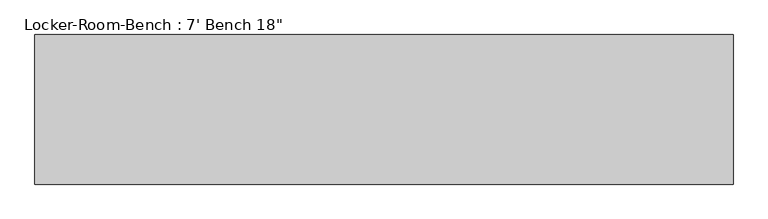
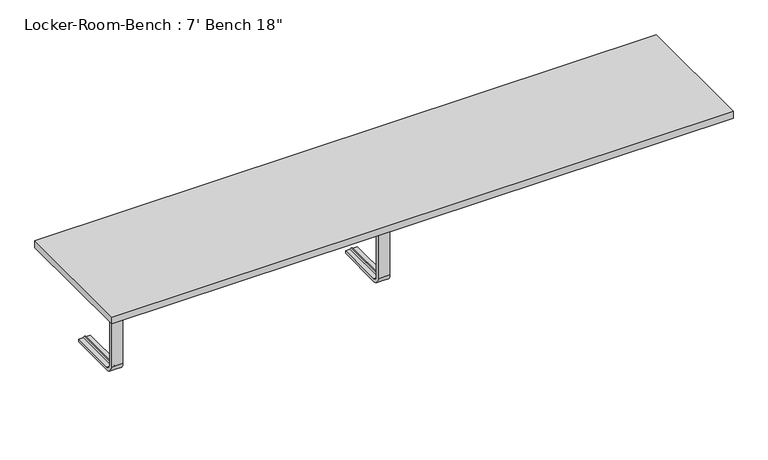
"""IFC4 building model written with IfcOpenShell, lengths in millimetres: proxy geometry."""

from ifc_helpers import new_model, si_unit, point, frame, origin, place, context, project, spatial, polyline, circle_curve, ellipse_curve, trimmed, outline, extrude, source, transform, mapped, element, save
from ifc_brep_helpers import plane_surface, cylinder_surface, revolved_surface, advanced_brep


def proxy_5897d05b(model_context):
    return source(origin(), model_context, "Body", "SolidModel", [
        advanced_brep(
        [(-896.8, 193.6, 381.4), (-896.8, 193.6, 371.4), (-911.8, 193.6, 371.4), (-916.8, 193.6, 369.0684617), (-921.8, 193.6, 371.4), (-936.8, 193.6, 371.4), (-936.8, 193.6, 381.4), (-936.8, 25.0, 381.4), (-896.8, 25.0, 381.4), (-936.8, 25.0, 371.4), (-936.8, 10.0, 356.4), (-936.8, 10.0, 40.0), (-936.8, 25.0, 25.0), (-936.8, 193.6, 25.0), (-936.8, 193.6, 15.0), (-936.8, 25.0, 15.0), (-936.8, 0.0, 40.0), (-936.8, 0.0, 356.4), (-921.8, 25.0, 371.4), (-916.8, 25.0, 369.0684617), (-911.8, 25.0, 371.4), (-896.8, 25.0, 371.4), (-896.8, 0.0, 356.4), (-896.8, 0.0, 40.0), (-896.8, 25.0, 15.0), (-896.8, 193.6, 15.0), (-896.8, 193.6, 25.0), (-896.8, 25.0, 25.0), (-896.8, 10.0, 40.0), (-896.8, 10.0, 356.4), (-921.8, 10.0, 356.4), (-916.8, 12.3315383, 356.4), (-911.8, 10.0, 356.4), (-921.8, 10.0, 40.0), (-916.8, 12.3315383, 40.0), (-911.8, 10.0, 40.0), (-921.8, 25.0, 25.0), (-916.8, 25.0, 27.3315383), (-911.8, 25.0, 25.0), (-921.8, 193.6, 25.0), (-916.8, 193.6, 27.3315383), (-911.8, 193.6, 25.0)],
        [
            (0, 1),
            (1, 2),
            (2, 3, circle_curve(frame((-916.5003591, 193.6, 374.9529162), z_axis=(0.0, 1.0, 0.0), x_axis=(0.0, 0.0, 1.0)), 5.8920785)),
            (3, 4, circle_curve(frame((-917.0996409, 193.6, 374.9529162), z_axis=(0.0, 1.0, 0.0), x_axis=(0.0, 0.0, 1.0)), 5.8920785)),
            (4, 5),
            (5, 6),
            (6, 0),
            (6, 7),
            (7, 8),
            (8, 0),
            (5, 9),
            (9, 10, circle_curve(frame((-936.8, 25.0, 356.4), z_axis=(1.0, 0.0, 0.0), x_axis=(0.0, 0.0, 1.0)), 15.0)),
            (10, 11),
            (11, 12, circle_curve(frame((-936.8, 25.0, 40.0), z_axis=(1.0, 0.0, 0.0), x_axis=(0.0, -1.0, 0.0)), 15.0)),
            (12, 13),
            (13, 14),
            (14, 15),
            (15, 16, circle_curve(frame((-936.8, 25.0, 40.0), z_axis=(-1.0, 0.0, 0.0), x_axis=(0.0, -1.0, 0.0)), 25.0)),
            (16, 17),
            (17, 7, circle_curve(frame((-936.8, 25.0, 356.4), z_axis=(-1.0, 0.0, 0.0), x_axis=(0.0, 0.0, 1.0)), 25.0)),
            (4, 18),
            (18, 9),
            (3, 19),
            (19, 18, circle_curve(frame((-917.0996409, 25.0, 374.9529162), z_axis=(0.0, 1.0, 0.0), x_axis=(0.0, 0.0, 1.0)), 5.8920785)),
            (2, 20),
            (20, 19, circle_curve(frame((-916.5003591, 25.0, 374.9529162), z_axis=(0.0, 1.0, 0.0), x_axis=(0.0, 0.0, 1.0)), 5.8920785)),
            (1, 21),
            (21, 20),
            (8, 22, circle_curve(frame((-896.8, 25.0, 356.4), z_axis=(1.0, 0.0, 0.0), x_axis=(0.0, 0.0, 1.0)), 25.0)),
            (22, 23),
            (23, 24, circle_curve(frame((-896.8, 25.0, 40.0), z_axis=(1.0, 0.0, 0.0), x_axis=(0.0, -1.0, 0.0)), 25.0)),
            (24, 25),
            (25, 26),
            (26, 27),
            (27, 28, circle_curve(frame((-896.8, 25.0, 40.0), z_axis=(-1.0, 0.0, 0.0), x_axis=(0.0, -1.0, 0.0)), 15.0)),
            (28, 29),
            (29, 21, circle_curve(frame((-896.8, 25.0, 356.4), z_axis=(-1.0, 0.0, 0.0), x_axis=(0.0, 0.0, 1.0)), 15.0)),
            (17, 22),
            (30, 10),
            (18, 30, circle_curve(frame((-921.8, 25.0, 356.4), z_axis=(1.0, 0.0, 0.0), x_axis=(0.0, 0.0, 1.0)), 15.0)),
            (31, 30, circle_curve(frame((-917.0996409, 6.4470838, 356.4), z_axis=(0.0, 0.0, 1.0), x_axis=(0.0, -1.0, 0.0)), 5.8920785)),
            (19, 31, circle_curve(frame((-916.8, 25.0, 356.4), z_axis=(1.0, 0.0, 0.0), x_axis=(0.0, 0.0, 1.0)), 12.6684617)),
            (32, 31, circle_curve(frame((-916.5003591, 6.4470838, 356.4), z_axis=(0.0, 0.0, 1.0), x_axis=(0.0, -1.0, 0.0)), 5.8920785)),
            (20, 32, circle_curve(frame((-911.8, 25.0, 356.4), z_axis=(1.0, 0.0, 0.0), x_axis=(0.0, 0.0, 1.0)), 15.0)),
            (29, 32),
            (16, 23),
            (30, 33),
            (33, 11),
            (31, 34),
            (34, 33, circle_curve(frame((-917.0996409, 6.4470838, 40.0), z_axis=(0.0, 0.0, 1.0), x_axis=(0.0, -1.0, 0.0)), 5.8920785)),
            (32, 35),
            (35, 34, circle_curve(frame((-916.5003591, 6.4470838, 40.0), z_axis=(0.0, 0.0, 1.0), x_axis=(0.0, -1.0, 0.0)), 5.8920785)),
            (28, 35),
            (15, 24),
            (36, 12),
            (33, 36, circle_curve(frame((-921.8, 25.0, 40.0), z_axis=(1.0, 0.0, 0.0), x_axis=(0.0, -1.0, 0.0)), 15.0)),
            (37, 36, circle_curve(frame((-917.0996409, 25.0, 21.4470838), z_axis=(0.0, -1.0, 0.0), x_axis=(0.0, 0.0, -1.0)), 5.8920785)),
            (34, 37, circle_curve(frame((-916.8, 25.0, 40.0), z_axis=(1.0, 0.0, 0.0), x_axis=(0.0, -1.0, 0.0)), 12.6684617)),
            (38, 37, circle_curve(frame((-916.5003591, 25.0, 21.4470838), z_axis=(0.0, -1.0, 0.0), x_axis=(0.0, 0.0, -1.0)), 5.8920785)),
            (35, 38, circle_curve(frame((-911.8, 25.0, 40.0), z_axis=(1.0, 0.0, 0.0), x_axis=(0.0, -1.0, 0.0)), 15.0)),
            (27, 38),
            (25, 14),
            (13, 39),
            (39, 40, circle_curve(frame((-917.0996409, 193.6, 21.4470838), z_axis=(0.0, 1.0, 0.0), x_axis=(0.0, 0.0, -1.0)), 5.8920785)),
            (40, 41, circle_curve(frame((-916.5003591, 193.6, 21.4470838), z_axis=(0.0, 1.0, 0.0), x_axis=(0.0, 0.0, -1.0)), 5.8920785)),
            (41, 26),
            (36, 39),
            (37, 40),
            (38, 41),
        ],
        [
            plane_surface(frame((-916.8, 193.6, 381.4), z_axis=(0.0, 1.0, 0.0), x_axis=(1.0, 0.0, 0.0))),
            plane_surface(frame((-896.8, 193.6, 381.4), z_axis=(0.0, 0.0, 1.0), x_axis=(0.0, -1.0, 0.0))),
            plane_surface(frame((-936.8, 193.6, 381.4), z_axis=(-1.0, 0.0, 0.0), x_axis=(0.0, -1.0, 0.0))),
            plane_surface(frame((-936.8, 193.6, 371.4), z_axis=(0.0, 0.0, -1.0), x_axis=(0.0, -1.0, 0.0))),
            cylinder_surface(frame((-917.0996409, 193.6, 374.9529162), z_axis=(0.0, 1.0, 0.0), x_axis=(0.0, 0.0, 1.0)), 5.8920785),
            cylinder_surface(frame((-916.5003591, 193.6, 374.9529162), z_axis=(0.0, 1.0, 0.0), x_axis=(0.0, 0.0, 1.0)), 5.8920785),
            plane_surface(frame((-911.8, 193.6, 371.4), z_axis=(0.0, 0.0, -1.0), x_axis=(0.0, -1.0, 0.0))),
            plane_surface(frame((-896.8, 193.6, 371.4), z_axis=(1.0, 0.0, 0.0), x_axis=(0.0, -1.0, 0.0))),
            cylinder_surface(frame((-916.8, 25.0, 356.4), z_axis=(-1.0, 0.0, 0.0), x_axis=(0.0, 0.0, 1.0)), 25.0),
            revolved_surface(polyline([(-936.8, 25.0, 371.4), (-921.8, 25.0, 371.4)]), (-916.8, 25.0, 356.4), (-1.0, 0.0, 0.0)),
            revolved_surface(trimmed(ellipse_curve(frame((-917.0996409, 25.0, 374.9529162), z_axis=(0.0, -1.0, 0.0), x_axis=(0.0, 0.0, 1.0)), 5.8920785, 5.8920785), [point((-921.8, 25.0, 371.4))], [point((-916.8, 25.0, 369.0684617))], True, "CARTESIAN"), (-916.8, 25.0, 356.4), (-1.0, 0.0, 0.0)),
            revolved_surface(trimmed(ellipse_curve(frame((-916.5003591, 25.0, 374.9529162), z_axis=(0.0, -1.0, 0.0), x_axis=(0.0, 0.0, 1.0)), 5.8920785, 5.8920785), [point((-916.8, 25.0, 369.0684617))], [point((-911.8, 25.0, 371.4))], True, "CARTESIAN"), (-916.8, 25.0, 356.4), (-1.0, 0.0, 0.0)),
            revolved_surface(polyline([(-911.8, 25.0, 371.4), (-896.8, 25.0, 371.4)]), (-916.8, 25.0, 356.4), (-1.0, 0.0, 0.0)),
            plane_surface(frame((-896.8, 0.0, 356.4), z_axis=(0.0, -1.0, 0.0), x_axis=(0.0, 0.0, -1.0))),
            plane_surface(frame((-936.8, 10.0, 356.4), z_axis=(0.0, 1.0, 0.0), x_axis=(0.0, 0.0, -1.0))),
            cylinder_surface(frame((-917.0996409, 6.4470838, 356.4), z_axis=(0.0, 0.0, 1.0), x_axis=(0.0, -1.0, 0.0)), 5.8920785),
            cylinder_surface(frame((-916.5003591, 6.4470838, 356.4), z_axis=(0.0, 0.0, 1.0), x_axis=(0.0, -1.0, 0.0)), 5.8920785),
            plane_surface(frame((-911.8, 10.0, 356.4), z_axis=(0.0, 1.0, 0.0), x_axis=(0.0, 0.0, -1.0))),
            cylinder_surface(frame((-916.8, 25.0, 40.0), z_axis=(-1.0, 0.0, 0.0), x_axis=(0.0, -1.0, 0.0)), 25.0),
            revolved_surface(polyline([(-936.8, 10.0, 40.0), (-921.8, 10.0, 40.0)]), (-916.8, 25.0, 40.0), (-1.0, 0.0, 0.0)),
            revolved_surface(trimmed(ellipse_curve(frame((-917.0996409, 6.4470838, 40.0), z_axis=(0.0, 0.0, -1.0), x_axis=(0.0, -1.0, 0.0)), 5.8920785, 5.8920785), [point((-921.8, 10.0, 40.0))], [point((-916.8, 12.3315383, 40.0))], True, "CARTESIAN"), (-916.8, 25.0, 40.0), (-1.0, 0.0, 0.0)),
            revolved_surface(trimmed(ellipse_curve(frame((-916.5003591, 6.4470838, 40.0), z_axis=(0.0, 0.0, -1.0), x_axis=(0.0, -1.0, 0.0)), 5.8920785, 5.8920785), [point((-916.8, 12.3315383, 40.0))], [point((-911.8, 10.0, 40.0))], True, "CARTESIAN"), (-916.8, 25.0, 40.0), (-1.0, 0.0, 0.0)),
            revolved_surface(polyline([(-911.8, 10.0, 40.0), (-896.8, 10.0, 40.0)]), (-916.8, 25.0, 40.0), (-1.0, 0.0, 0.0)),
            plane_surface(frame((-916.8, 193.6, 15.0), z_axis=(0.0, 1.0, 0.0), x_axis=(1.0, 0.0, 0.0))),
            plane_surface(frame((-896.8, 25.0, 15.0), z_axis=(0.0, 0.0, -1.0), x_axis=(0.0, 1.0, 0.0))),
            plane_surface(frame((-936.8, 25.0, 25.0), z_axis=(0.0, 0.0, 1.0), x_axis=(0.0, 1.0, 0.0))),
            cylinder_surface(frame((-917.0996409, 25.0, 21.4470838), z_axis=(0.0, -1.0, 0.0), x_axis=(0.0, 0.0, -1.0)), 5.8920785),
            cylinder_surface(frame((-916.5003591, 25.0, 21.4470838), z_axis=(0.0, -1.0, 0.0), x_axis=(0.0, 0.0, -1.0)), 5.8920785),
            plane_surface(frame((-911.8, 25.0, 25.0), z_axis=(0.0, 0.0, 1.0), x_axis=(0.0, 1.0, 0.0))),
        ],
        [
            (0, [[1, 2, 3, 4, 5, 6, 7]]),
            (1, [[8, 9, 10, -7]]),
            (2, [[11, 12, 13, 14, 15, 16, 17, 18, 19, 20, -8, -6]]),
            (3, [[21, 22, -11, -5]]),
            (4, [[23, 24, -21, -4]]),
            (5, [[25, 26, -23, -3]]),
            (6, [[27, 28, -25, -2]]),
            (7, [[-10, 29, 30, 31, 32, 33, 34, 35, 36, 37, -27, -1]]),
            (8, [[38, -29, -9, -20]]),
            (9, [[39, -12, -22, 40]]),
            (10, [[41, -40, -24, 42]]),
            (11, [[43, -42, -26, 44]]),
            (12, [[45, -44, -28, -37]]),
            (13, [[-19, 46, -30, -38]]),
            (14, [[47, 48, -13, -39]]),
            (15, [[49, 50, -47, -41]]),
            (16, [[51, 52, -49, -43]]),
            (17, [[-36, 53, -51, -45]]),
            (18, [[54, -31, -46, -18]]),
            (19, [[55, -14, -48, 56]]),
            (20, [[57, -56, -50, 58]]),
            (21, [[59, -58, -52, 60]]),
            (22, [[61, -60, -53, -35]]),
            (23, [[62, -16, 63, 64, 65, 66, -33]]),
            (24, [[-17, -62, -32, -54]]),
            (25, [[67, -63, -15, -55]]),
            (26, [[68, -64, -67, -57]]),
            (27, [[69, -65, -68, -59]]),
            (28, [[-34, -66, -69, -61]]),
        ],
    ),
        advanced_brep(
        [(20.0, 193.6, 381.4), (20.0, 193.6, 371.4), (5.0, 193.6, 371.4), (0.0, 193.6, 369.0684617), (-5.0, 193.6, 371.4), (-20.0, 193.6, 371.4), (-20.0, 193.6, 381.4), (-20.0, 25.0, 381.4), (20.0, 25.0, 381.4), (-20.0, 25.0, 371.4), (-20.0, 10.0, 356.4), (-20.0, 10.0, 40.0), (-20.0, 25.0, 25.0), (-20.0, 193.6, 25.0), (-20.0, 193.6, 15.0), (-20.0, 25.0, 15.0), (-20.0, 0.0, 40.0), (-20.0, 0.0, 356.4), (-5.0, 25.0, 371.4), (0.0, 25.0, 369.0684617), (5.0, 25.0, 371.4), (20.0, 25.0, 371.4), (20.0, 0.0, 356.4), (20.0, 0.0, 40.0), (20.0, 25.0, 15.0), (20.0, 193.6, 15.0), (20.0, 193.6, 25.0), (20.0, 25.0, 25.0), (20.0, 10.0, 40.0), (20.0, 10.0, 356.4), (-5.0, 10.0, 356.4), (0.0, 12.3315383, 356.4), (5.0, 10.0, 356.4), (-5.0, 10.0, 40.0), (0.0, 12.3315383, 40.0), (5.0, 10.0, 40.0), (-5.0, 25.0, 25.0), (0.0, 25.0, 27.3315383), (5.0, 25.0, 25.0), (-5.0, 193.6, 25.0), (0.0, 193.6, 27.3315383), (5.0, 193.6, 25.0)],
        [
            (0, 1),
            (1, 2),
            (2, 3, circle_curve(frame((0.2996409, 193.6, 374.9529162), z_axis=(0.0, 1.0, 0.0), x_axis=(0.0, 0.0, 1.0)), 5.8920785)),
            (3, 4, circle_curve(frame((-0.2996409, 193.6, 374.9529162), z_axis=(0.0, 1.0, 0.0), x_axis=(0.0, 0.0, 1.0)), 5.8920785)),
            (4, 5),
            (5, 6),
            (6, 0),
            (6, 7),
            (7, 8),
            (8, 0),
            (5, 9),
            (9, 10, circle_curve(frame((-20.0, 25.0, 356.4), z_axis=(1.0, 0.0, 0.0), x_axis=(0.0, 0.0, 1.0)), 15.0)),
            (10, 11),
            (11, 12, circle_curve(frame((-20.0, 25.0, 40.0), z_axis=(1.0, 0.0, 0.0), x_axis=(0.0, -1.0, 0.0)), 15.0)),
            (12, 13),
            (13, 14),
            (14, 15),
            (15, 16, circle_curve(frame((-20.0, 25.0, 40.0), z_axis=(-1.0, 0.0, 0.0), x_axis=(0.0, -1.0, 0.0)), 25.0)),
            (16, 17),
            (17, 7, circle_curve(frame((-20.0, 25.0, 356.4), z_axis=(-1.0, 0.0, 0.0), x_axis=(0.0, 0.0, 1.0)), 25.0)),
            (4, 18),
            (18, 9),
            (3, 19),
            (19, 18, circle_curve(frame((-0.2996409, 25.0, 374.9529162), z_axis=(0.0, 1.0, 0.0), x_axis=(0.0, 0.0, 1.0)), 5.8920785)),
            (2, 20),
            (20, 19, circle_curve(frame((0.2996409, 25.0, 374.9529162), z_axis=(0.0, 1.0, 0.0), x_axis=(0.0, 0.0, 1.0)), 5.8920785)),
            (1, 21),
            (21, 20),
            (8, 22, circle_curve(frame((20.0, 25.0, 356.4), z_axis=(1.0, 0.0, 0.0), x_axis=(0.0, 0.0, 1.0)), 25.0)),
            (22, 23),
            (23, 24, circle_curve(frame((20.0, 25.0, 40.0), z_axis=(1.0, 0.0, 0.0), x_axis=(0.0, -1.0, 0.0)), 25.0)),
            (24, 25),
            (25, 26),
            (26, 27),
            (27, 28, circle_curve(frame((20.0, 25.0, 40.0), z_axis=(-1.0, 0.0, 0.0), x_axis=(0.0, -1.0, 0.0)), 15.0)),
            (28, 29),
            (29, 21, circle_curve(frame((20.0, 25.0, 356.4), z_axis=(-1.0, 0.0, 0.0), x_axis=(0.0, 0.0, 1.0)), 15.0)),
            (17, 22),
            (30, 10),
            (18, 30, circle_curve(frame((-5.0, 25.0, 356.4), z_axis=(1.0, 0.0, 0.0), x_axis=(0.0, 0.0, 1.0)), 15.0)),
            (31, 30, circle_curve(frame((-0.2996409, 6.4470838, 356.4), z_axis=(0.0, 0.0, 1.0), x_axis=(0.0, -1.0, 0.0)), 5.8920785)),
            (19, 31, circle_curve(frame((0.0, 25.0, 356.4), z_axis=(1.0, 0.0, 0.0), x_axis=(0.0, 0.0, 1.0)), 12.6684617)),
            (32, 31, circle_curve(frame((0.2996409, 6.4470838, 356.4), z_axis=(0.0, 0.0, 1.0), x_axis=(0.0, -1.0, 0.0)), 5.8920785)),
            (20, 32, circle_curve(frame((5.0, 25.0, 356.4), z_axis=(1.0, 0.0, 0.0), x_axis=(0.0, 0.0, 1.0)), 15.0)),
            (29, 32),
            (16, 23),
            (30, 33),
            (33, 11),
            (31, 34),
            (34, 33, circle_curve(frame((-0.2996409, 6.4470838, 40.0), z_axis=(0.0, 0.0, 1.0), x_axis=(0.0, -1.0, 0.0)), 5.8920785)),
            (32, 35),
            (35, 34, circle_curve(frame((0.2996409, 6.4470838, 40.0), z_axis=(0.0, 0.0, 1.0), x_axis=(0.0, -1.0, 0.0)), 5.8920785)),
            (28, 35),
            (15, 24),
            (36, 12),
            (33, 36, circle_curve(frame((-5.0, 25.0, 40.0), z_axis=(1.0, 0.0, 0.0), x_axis=(0.0, -1.0, 0.0)), 15.0)),
            (37, 36, circle_curve(frame((-0.2996409, 25.0, 21.4470838), z_axis=(0.0, -1.0, 0.0), x_axis=(0.0, 0.0, -1.0)), 5.8920785)),
            (34, 37, circle_curve(frame((0.0, 25.0, 40.0), z_axis=(1.0, 0.0, 0.0), x_axis=(0.0, -1.0, 0.0)), 12.6684617)),
            (38, 37, circle_curve(frame((0.2996409, 25.0, 21.4470838), z_axis=(0.0, -1.0, 0.0), x_axis=(0.0, 0.0, -1.0)), 5.8920785)),
            (35, 38, circle_curve(frame((5.0, 25.0, 40.0), z_axis=(1.0, 0.0, 0.0), x_axis=(0.0, -1.0, 0.0)), 15.0)),
            (27, 38),
            (25, 14),
            (13, 39),
            (39, 40, circle_curve(frame((-0.2996409, 193.6, 21.4470838), z_axis=(0.0, 1.0, 0.0), x_axis=(0.0, 0.0, -1.0)), 5.8920785)),
            (40, 41, circle_curve(frame((0.2996409, 193.6, 21.4470838), z_axis=(0.0, 1.0, 0.0), x_axis=(0.0, 0.0, -1.0)), 5.8920785)),
            (41, 26),
            (36, 39),
            (37, 40),
            (38, 41),
        ],
        [
            plane_surface(frame((0.0, 193.6, 381.4), z_axis=(0.0, 1.0, 0.0), x_axis=(1.0, 0.0, 0.0))),
            plane_surface(frame((20.0, 193.6, 381.4), z_axis=(0.0, 0.0, 1.0), x_axis=(0.0, -1.0, 0.0))),
            plane_surface(frame((-20.0, 193.6, 381.4), z_axis=(-1.0, 0.0, 0.0), x_axis=(0.0, -1.0, 0.0))),
            plane_surface(frame((-20.0, 193.6, 371.4), z_axis=(0.0, 0.0, -1.0), x_axis=(0.0, -1.0, 0.0))),
            cylinder_surface(frame((-0.2996409, 193.6, 374.9529162), z_axis=(0.0, 1.0, 0.0), x_axis=(0.0, 0.0, 1.0)), 5.8920785),
            cylinder_surface(frame((0.2996409, 193.6, 374.9529162), z_axis=(0.0, 1.0, 0.0), x_axis=(0.0, 0.0, 1.0)), 5.8920785),
            plane_surface(frame((5.0, 193.6, 371.4), z_axis=(0.0, 0.0, -1.0), x_axis=(0.0, -1.0, 0.0))),
            plane_surface(frame((20.0, 193.6, 371.4), z_axis=(1.0, 0.0, 0.0), x_axis=(0.0, -1.0, 0.0))),
            cylinder_surface(frame((0.0, 25.0, 356.4), z_axis=(-1.0, 0.0, 0.0), x_axis=(0.0, 0.0, 1.0)), 25.0),
            revolved_surface(polyline([(-20.0, 25.0, 371.4), (-5.0, 25.0, 371.4)]), (0.0, 25.0, 356.4), (-1.0, 0.0, 0.0)),
            revolved_surface(trimmed(ellipse_curve(frame((-0.2996409, 25.0, 374.9529162), z_axis=(0.0, -1.0, 0.0), x_axis=(0.0, 0.0, 1.0)), 5.8920785, 5.8920785), [point((-5.0, 25.0, 371.4))], [point((0.0, 25.0, 369.0684617))], True, "CARTESIAN"), (0.0, 25.0, 356.4), (-1.0, 0.0, 0.0)),
            revolved_surface(trimmed(ellipse_curve(frame((0.2996409, 25.0, 374.9529162), z_axis=(0.0, -1.0, 0.0), x_axis=(0.0, 0.0, 1.0)), 5.8920785, 5.8920785), [point((0.0, 25.0, 369.0684617))], [point((5.0, 25.0, 371.4))], True, "CARTESIAN"), (0.0, 25.0, 356.4), (-1.0, 0.0, 0.0)),
            revolved_surface(polyline([(5.0, 25.0, 371.4), (20.0, 25.0, 371.4)]), (0.0, 25.0, 356.4), (-1.0, 0.0, 0.0)),
            plane_surface(frame((20.0, 0.0, 356.4), z_axis=(0.0, -1.0, 0.0), x_axis=(0.0, 0.0, -1.0))),
            plane_surface(frame((-20.0, 10.0, 356.4), z_axis=(0.0, 1.0, 0.0), x_axis=(0.0, 0.0, -1.0))),
            cylinder_surface(frame((-0.2996409, 6.4470838, 356.4), z_axis=(0.0, 0.0, 1.0), x_axis=(0.0, -1.0, 0.0)), 5.8920785),
            cylinder_surface(frame((0.2996409, 6.4470838, 356.4), z_axis=(0.0, 0.0, 1.0), x_axis=(0.0, -1.0, 0.0)), 5.8920785),
            plane_surface(frame((5.0, 10.0, 356.4), z_axis=(0.0, 1.0, 0.0), x_axis=(0.0, 0.0, -1.0))),
            cylinder_surface(frame((0.0, 25.0, 40.0), z_axis=(-1.0, 0.0, 0.0), x_axis=(0.0, -1.0, 0.0)), 25.0),
            revolved_surface(polyline([(-20.0, 10.0, 40.0), (-5.0, 10.0, 40.0)]), (0.0, 25.0, 40.0), (-1.0, 0.0, 0.0)),
            revolved_surface(trimmed(ellipse_curve(frame((-0.2996409, 6.4470838, 40.0), z_axis=(0.0, 0.0, -1.0), x_axis=(0.0, -1.0, 0.0)), 5.8920785, 5.8920785), [point((-5.0, 10.0, 40.0))], [point((0.0, 12.3315383, 40.0))], True, "CARTESIAN"), (0.0, 25.0, 40.0), (-1.0, 0.0, 0.0)),
            revolved_surface(trimmed(ellipse_curve(frame((0.2996409, 6.4470838, 40.0), z_axis=(0.0, 0.0, -1.0), x_axis=(0.0, -1.0, 0.0)), 5.8920785, 5.8920785), [point((0.0, 12.3315383, 40.0))], [point((5.0, 10.0, 40.0))], True, "CARTESIAN"), (0.0, 25.0, 40.0), (-1.0, 0.0, 0.0)),
            revolved_surface(polyline([(5.0, 10.0, 40.0), (20.0, 10.0, 40.0)]), (0.0, 25.0, 40.0), (-1.0, 0.0, 0.0)),
            plane_surface(frame((0.0, 193.6, 15.0), z_axis=(0.0, 1.0, 0.0), x_axis=(1.0, 0.0, 0.0))),
            plane_surface(frame((20.0, 25.0, 15.0), z_axis=(0.0, 0.0, -1.0), x_axis=(0.0, 1.0, 0.0))),
            plane_surface(frame((-20.0, 25.0, 25.0), z_axis=(0.0, 0.0, 1.0), x_axis=(0.0, 1.0, 0.0))),
            cylinder_surface(frame((-0.2996409, 25.0, 21.4470838), z_axis=(0.0, -1.0, 0.0), x_axis=(0.0, 0.0, -1.0)), 5.8920785),
            cylinder_surface(frame((0.2996409, 25.0, 21.4470838), z_axis=(0.0, -1.0, 0.0), x_axis=(0.0, 0.0, -1.0)), 5.8920785),
            plane_surface(frame((5.0, 25.0, 25.0), z_axis=(0.0, 0.0, 1.0), x_axis=(0.0, 1.0, 0.0))),
        ],
        [
            (0, [[1, 2, 3, 4, 5, 6, 7]]),
            (1, [[8, 9, 10, -7]]),
            (2, [[11, 12, 13, 14, 15, 16, 17, 18, 19, 20, -8, -6]]),
            (3, [[21, 22, -11, -5]]),
            (4, [[23, 24, -21, -4]]),
            (5, [[25, 26, -23, -3]]),
            (6, [[27, 28, -25, -2]]),
            (7, [[-10, 29, 30, 31, 32, 33, 34, 35, 36, 37, -27, -1]]),
            (8, [[38, -29, -9, -20]]),
            (9, [[39, -12, -22, 40]]),
            (10, [[41, -40, -24, 42]]),
            (11, [[43, -42, -26, 44]]),
            (12, [[45, -44, -28, -37]]),
            (13, [[-19, 46, -30, -38]]),
            (14, [[47, 48, -13, -39]]),
            (15, [[49, 50, -47, -41]]),
            (16, [[51, 52, -49, -43]]),
            (17, [[-36, 53, -51, -45]]),
            (18, [[54, -31, -46, -18]]),
            (19, [[55, -14, -48, 56]]),
            (20, [[57, -56, -50, 58]]),
            (21, [[59, -58, -52, 60]]),
            (22, [[61, -60, -53, -35]]),
            (23, [[62, -16, 63, 64, 65, 66, -33]]),
            (24, [[-17, -62, -32, -54]]),
            (25, [[67, -63, -15, -55]]),
            (26, [[68, -64, -67, -57]]),
            (27, [[69, -65, -68, -59]]),
            (28, [[-34, -66, -69, -61]]),
        ],
    ),
        extrude(outline(polyline([(1066.8, -228.6), (-1066.8, -228.6), (-1066.8, 228.6), (1066.8, 228.6), (1066.8, -228.6)])), frame((0.0, 0.0, 381.4), z_axis=(0.0, 0.0, 1.0), x_axis=(1.0, 0.0, 0.0)), (0.0, 0.0, 1.0), 25.0),
    ])


if __name__ == "__main__":
    model = new_model("IFC4")
    model_context = context("Model", 3, world=origin())
    ifc_project = project(units=[si_unit("LENGTHUNIT", "METRE", prefix="MILLI")], contexts=[model_context])
    site = spatial("IfcSite", under=ifc_project)
    building = spatial("IfcBuilding", under=site)
    placement = place(None, origin())
    proxy_shape = proxy_5897d05b(model_context)
    element("IfcBuildingElementProxy", 1, Name="Locker-Room-Bench : 7' Bench 18\"", ObjectType="Locker-Room-Bench : 7' Bench 18\"", at=placement, inside=building, context=model_context, shape_type="MappedRepresentation", body=[
        mapped(proxy_shape, transform((0.0, 0.0, 0.0), x_axis=(1.0, 0.0, 0.0), y_axis=(0.0, 1.0, 0.0), z_axis=(0.0, 0.0, 1.0))),
    ])
    save(model, "model.ifc")
